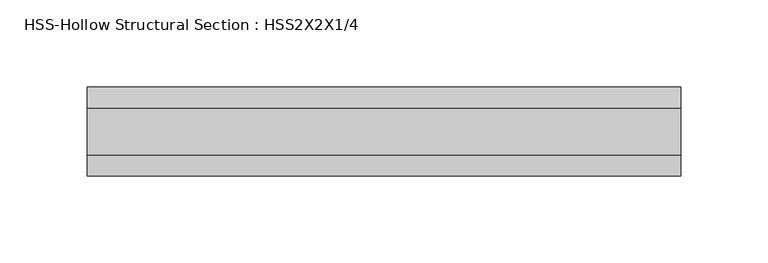
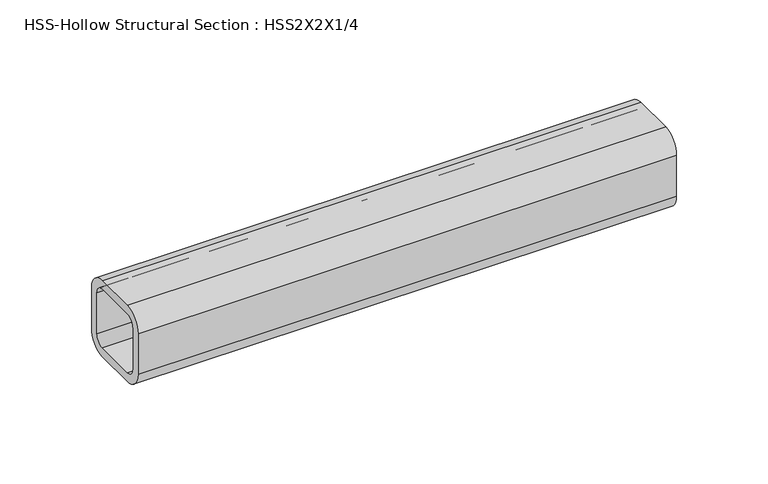
"""IFC4 building model written with IfcOpenShell, lengths in millimetres: beam geometry, HSS-Hollow Structural Section : HSS2X2X1/4."""

from ifc_helpers import new_model, si_unit, point, frame, frame_2d, origin, place, context, project, spatial, polyline, circle_curve, trimmed, segment, composite_curve, outline, extrude, source, transform, mapped, element, save


def hss_hollow_structural_section_hss2x2x1_4_63920ce2(model_context):
    return source(origin(), model_context, "Body", "SweptSolid", [
        extrude(outline(composite_curve([segment(polyline([(25.4, 13.5636), (25.4, -13.5636)]), True, "CONTINUOUS"), segment(trimmed(circle_curve(frame_2d((13.5636, -13.5636)), 11.8364), [point((25.4, -13.5636))], [point((13.5636, -25.4))], False, "CARTESIAN"), True, "CONTINUOUS"), segment(polyline([(13.5636, -25.4), (-13.5636, -25.4)]), True, "CONTINUOUS"), segment(trimmed(circle_curve(frame_2d((-13.5636, -13.5636)), 11.8364), [point((-13.5636, -25.4))], [point((-25.4, -13.5636))], False, "CARTESIAN"), True, "CONTINUOUS"), segment(polyline([(-25.4, -13.5636), (-25.4, 13.5636)]), True, "CONTINUOUS"), segment(trimmed(circle_curve(frame_2d((-13.5636, 13.5636)), 11.8364), [point((-25.4, 13.5636))], [point((-13.5636, 25.4))], False, "CARTESIAN"), True, "CONTINUOUS"), segment(polyline([(-13.5636, 25.4), (13.5636, 25.4)]), True, "CONTINUOUS"), segment(trimmed(circle_curve(frame_2d((13.5636, 13.5636)), 11.8364), [point((13.5636, 25.4))], [point((25.4, 13.5636))], False, "CARTESIAN"), True, "CONTINUOUS")], self_intersect=False), holes=[composite_curve([segment(trimmed(circle_curve(frame_2d((-13.5636, 13.5636)), 5.9182), [point((-13.5636, 19.4818))], [point((-19.4818, 13.5636))], True, "CARTESIAN"), True, "CONTINUOUS"), segment(polyline([(-19.4818, 13.5636), (-19.4818, -13.5636)]), True, "CONTINUOUS"), segment(trimmed(circle_curve(frame_2d((-13.5636, -13.5636)), 5.9182), [point((-19.4818, -13.5636))], [point((-13.5636, -19.4818))], True, "CARTESIAN"), True, "CONTINUOUS"), segment(polyline([(-13.5636, -19.4818), (13.5636, -19.4818)]), True, "CONTINUOUS"), segment(trimmed(circle_curve(frame_2d((13.5636, -13.5636)), 5.9182), [point((13.5636, -19.4818))], [point((19.4818, -13.5636))], True, "CARTESIAN"), True, "CONTINUOUS"), segment(polyline([(19.4818, -13.5636), (19.4818, 13.5636)]), True, "CONTINUOUS"), segment(trimmed(circle_curve(frame_2d((13.5636, 13.5636)), 5.9182), [point((19.4818, 13.5636))], [point((13.5636, 19.4818))], True, "CARTESIAN"), True, "CONTINUOUS"), segment(polyline([(13.5636, 19.4818), (-13.5636, 19.4818)]), True, "CONTINUOUS")], self_intersect=False)]), frame((-169.8625, 0.0, 0.0), z_axis=(1.0, 0.0, 0.0), x_axis=(0.0, 1.0, 0.0)), (0.0, 0.0, 1.0), 339.725),
    ])


if __name__ == "__main__":
    model = new_model("IFC4")
    model_context = context("Model", 3, world=origin())
    ifc_project = project(units=[si_unit("LENGTHUNIT", "METRE", prefix="MILLI")], contexts=[model_context])
    site = spatial("IfcSite", under=ifc_project)
    building = spatial("IfcBuilding", under=site)
    placement = place(None, origin())
    hss_hollow_structural_section_hss2x2x1_4_shape = hss_hollow_structural_section_hss2x2x1_4_63920ce2(model_context)
    element("IfcBeam", 1, ObjectType="HSS-Hollow Structural Section : HSS2X2X1/4", at=placement, inside=building, context=model_context, shape_type="MappedRepresentation", body=[
        mapped(hss_hollow_structural_section_hss2x2x1_4_shape, transform((0.0, 0.0, 0.0), x_axis=(1.0, 0.0, 0.0), y_axis=(0.0, 1.0, 0.0), z_axis=(0.0, 0.0, 1.0))),
    ])
    save(model, "model.ifc")
